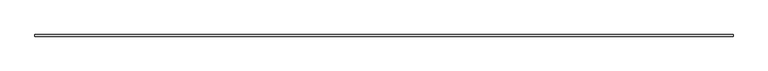
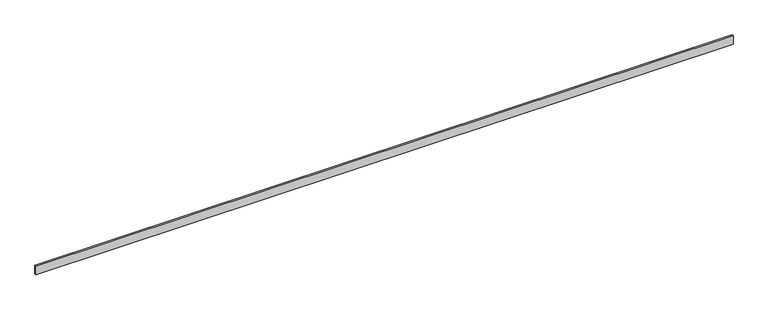
"""IFC4 building model written with IfcOpenShell, lengths in millimetres: beam geometry."""

from ifc_helpers import new_model, si_unit, frame, origin, place, context, project, spatial, polyline, outline, extrude, source, transform, mapped, element, save


def beam_7499c799(model_context):
    return source(origin(), model_context, "Body", "SweptSolid", [
        extrude(outline(polyline([(7800.0, -18.0), (-7800.0, -18.0), (-7800.0, 18.0), (7800.0, 18.0), (7800.0, -18.0)])), frame((0.0, 0.0, -100.0), z_axis=(0.0, 0.0, 1.0), x_axis=(1.0, 0.0, 0.0)), (0.0, 0.0, 1.0), 200.0),
    ])


if __name__ == "__main__":
    model = new_model("IFC4")
    model_context = context("Model", 3, world=origin())
    ifc_project = project(units=[si_unit("LENGTHUNIT", "METRE", prefix="MILLI")], contexts=[model_context])
    site = spatial("IfcSite", under=ifc_project)
    building = spatial("IfcBuilding", under=site)
    placement = place(None, origin())
    beam_shape = beam_7499c799(model_context)
    element("IfcBeam", 1, at=placement, inside=building, context=model_context, shape_type="MappedRepresentation", body=[
        mapped(beam_shape, transform((0.0, 0.0, 0.0), x_axis=(1.0, 0.0, 0.0), y_axis=(0.0, 1.0, 0.0), z_axis=(0.0, 0.0, 1.0))),
    ])
    save(model, "model.ifc")
